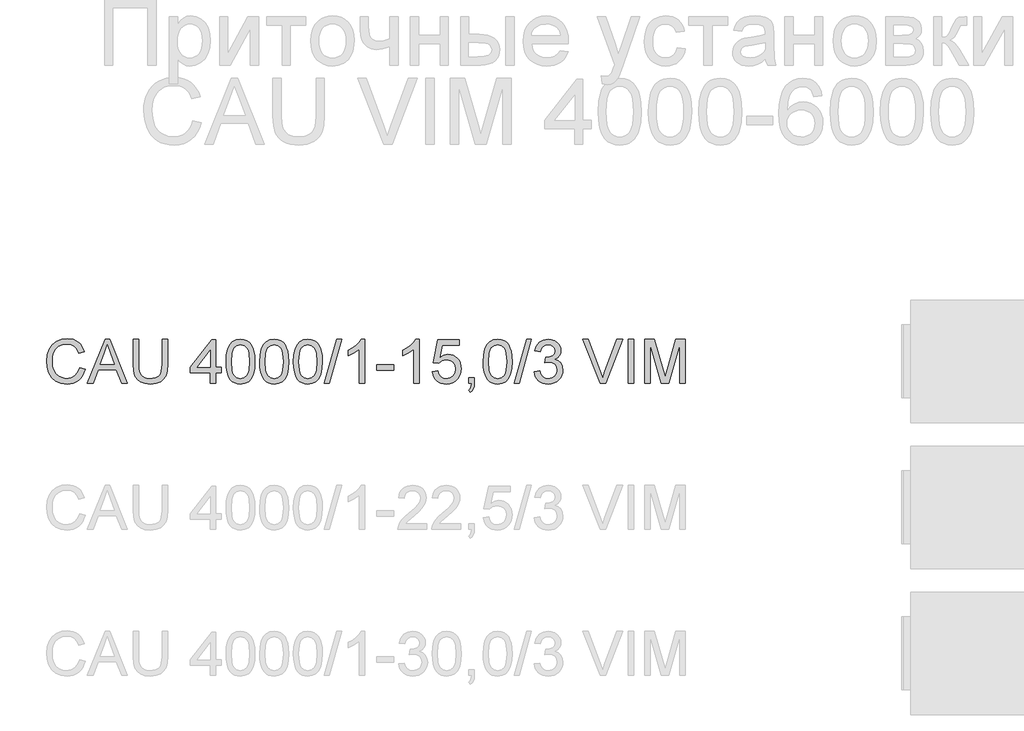
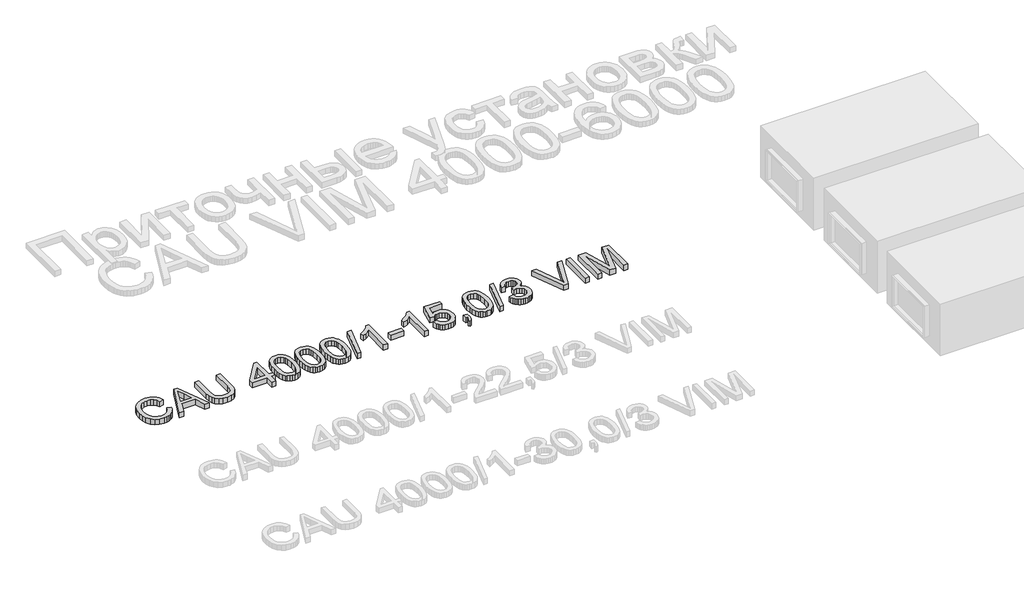
# One storey, part 68 of 74: 1 proxy.
"""IFC4 building model written with IfcOpenShell, lengths in millimetres."""

import ifcopenshell
import ifcopenshell.guid

model = None  # the IFC model being written
_history = None  # IfcOwnerHistory: only IFC2X3 demands one
_inside = {}  # id of a spatial element -> (the spatial element, [elements in it])
_under = {}  # id of a project, library or spatial element -> (it, [spatial elements below it])
_declared = {}  # id of a project -> (the project, [libraries it declares])
_typed = {}  # id of a type object -> (the type object, [elements of that type])
_made_of = {}  # id of a material, layer set ... -> (it, [elements and type objects made of it])


def new_model(schema):
    """Start an empty IFC model of exactly this schema.

    Asked for "IFC4X3", IfcOpenShell would pick the latest addendum, in which some entities
    have other attributes; the version numbers below select the first issue.
    IFC2X3 requires an IfcOwnerHistory on every rooted entity: one is made here for all.
    """
    global model, _history
    if schema == "IFC4X3":
        model = ifcopenshell.file(schema_version=(4, 3, 0, 0))
    else:
        model = ifcopenshell.file(schema=schema)
    _inside.clear()
    _under.clear()
    _declared.clear()
    _typed.clear()
    _made_of.clear()
    _history = None
    if model.schema == "IFC2X3":
        org = make("IfcOrganization", Name="unknown")
        user = make(
            "IfcPersonAndOrganization",
            ThePerson=make("IfcPerson", FamilyName="unknown"),
            TheOrganization=org,
        )
        app = make(
            "IfcApplication",
            ApplicationDeveloper=org,
            Version="unknown",
            ApplicationFullName="unknown",
            ApplicationIdentifier="unknown",
        )
        _history = make(
            "IfcOwnerHistory",
            OwningUser=user,
            OwningApplication=app,
            ChangeAction="ADDED",
            CreationDate=0,
        )
    return model


def make(cls, **values):
    """One entity of the class cls with the attributes given. An attribute that is None is left unset."""
    return model.create_entity(
        cls, **{name: value for name, value in values.items() if value is not None}
    )


def rooted(cls, **values):
    """An entity with a GlobalId (a new one), such as an element, a storey or a relation."""
    return make(cls, GlobalId=ifcopenshell.guid.new(), OwnerHistory=_history, **values)


def si_unit(unit_type, name, prefix=None):
    """IfcSIUnit, for example si_unit("LENGTHUNIT", "METRE", prefix="MILLI")."""
    return make("IfcSIUnit", UnitType=unit_type, Prefix=prefix, Name=name)


def assignment(units):
    """IfcUnitAssignment: the units of a project."""
    return None if units is None else make("IfcUnitAssignment", Units=units)


def point(xyz):
    """IfcCartesianPoint."""
    return None if xyz is None else make("IfcCartesianPoint", Coordinates=xyz)


def direction(xyz):
    """IfcDirection."""
    return None if xyz is None else make("IfcDirection", DirectionRatios=xyz)


def frame(location, z_axis=None, x_axis=None):
    """IfcAxis2Placement3D, a coordinate frame: its origin and axes. An axis left out is left unset."""
    return make(
        "IfcAxis2Placement3D",
        Location=point(location),
        Axis=direction(z_axis),
        RefDirection=direction(x_axis),
    )


def origin():
    """The frame at (0, 0, 0) with its axes left unset."""
    return frame((0.0, 0.0, 0.0))


def origin_with_axes():
    """The frame at (0, 0, 0) with the z axis (0, 0, 1) and the x axis (1, 0, 0) written out."""
    return frame((0.0, 0.0, 0.0), z_axis=(0.0, 0.0, 1.0), x_axis=(1.0, 0.0, 0.0))


def place(relative_to, where):
    """IfcLocalPlacement: puts the frame where relative to a parent placement (None: the world)."""
    return make(
        "IfcLocalPlacement", PlacementRelTo=relative_to, RelativePlacement=where
    )


def context(
    kind, dimensions, precision=None, world=None, true_north=None, identifier=None
):
    """IfcGeometricRepresentationContext, for example the 3D "Model" context."""
    return make(
        "IfcGeometricRepresentationContext",
        ContextIdentifier=identifier,
        ContextType=kind,
        CoordinateSpaceDimension=dimensions,
        Precision=precision,
        WorldCoordinateSystem=world,
        TrueNorth=true_north,
    )


def project(units=None, contexts=None):
    """IfcProject with its units and contexts."""
    return rooted(
        "IfcProject",
        Name="project",
        RepresentationContexts=contexts,
        UnitsInContext=assignment(units),
    )


def spatial(cls, under=None, at=None, **own):
    """A site, building, storey or space (cls), placed at a placement, below another one or the project."""
    s = rooted(cls, ObjectPlacement=at, **own)
    if under is not None:
        _under.setdefault(under.id(), (under, []))[1].append(s)
    return s


def polyline(points):
    """IfcPolyline through the points."""
    return make("IfcPolyline", Points=[point(p) for p in points])


def outline(outer, holes=None, kind="AREA"):
    """IfcArbitraryClosedProfileDef: a profile drawn as a closed curve; with holes, ...WithVoids."""
    if holes is None:
        return make("IfcArbitraryClosedProfileDef", ProfileType=kind, OuterCurve=outer)
    return make(
        "IfcArbitraryProfileDefWithVoids",
        ProfileType=kind,
        OuterCurve=outer,
        InnerCurves=holes,
    )


def extrude(swept, where, along, depth):
    """IfcExtrudedAreaSolid: the profile swept, set in the frame where, extruded along a direction by depth."""
    return make(
        "IfcExtrudedAreaSolid",
        SweptArea=swept,
        Position=where,
        ExtrudedDirection=direction(along),
        Depth=depth,
    )


def shape(context_of_items, identifier, shape_type, items):
    """IfcShapeRepresentation: the items that make up one representation, for example the "Body"."""
    return make(
        "IfcShapeRepresentation",
        ContextOfItems=context_of_items,
        RepresentationIdentifier=identifier,
        RepresentationType=shape_type,
        Items=items,
    )


def made_of(thing, what):
    """Note that an element or type object is made of a material, layer set ...; save() writes the relation."""
    if what is not None:
        _made_of.setdefault(what.id(), (what, []))[1].append(thing)
    return thing


def element(
    cls,
    number,
    at=None,
    inside=None,
    cuts=None,
    type_object=None,
    material=None,
    context=None,
    identifier="Body",
    shape_type=None,
    held_by="IfcProductDefinitionShape",
    body=None,
    shapes=None,
    **own,
):
    """One element of the class cls, such as IfcWall. Its Tag is "e" and its number.

    at: its placement. inside: the storey or other place that contains it. cuts: it is an
    opening in that element (IfcRelVoidsElement). A single representation is given by context,
    identifier, shape_type and body (its items); several are given by shapes. held_by: the class
    of the entity that holds the representations. save() writes the other relations.
    """
    e = rooted(cls, Tag="e%d" % number, ObjectPlacement=at, **own)
    if body is not None:
        shapes = [shape(context, identifier, shape_type, body)]
    if shapes is not None:
        e.Representation = make(held_by, Representations=shapes)
    if inside is not None:
        _inside.setdefault(inside.id(), (inside, []))[1].append(e)
    if cuts is not None:
        rooted(
            "IfcRelVoidsElement", RelatingBuildingElement=cuts, RelatedOpeningElement=e
        )
    if type_object is not None:
        _typed.setdefault(type_object.id(), (type_object, []))[1].append(e)
    return made_of(e, material)


def aggregate(whole, parts):
    """IfcRelAggregates: a whole, such as a stair, and the parts it consists of."""
    return rooted("IfcRelAggregates", RelatingObject=whole, RelatedObjects=parts)


def save(model, path):
    """Write the relations noted so far, then the file.

    IfcRelAggregates (storeys below a building ...), IfcRelContainedInSpatialStructure (elements
    in a storey), IfcRelDefinesByType, IfcRelAssociatesMaterial and IfcRelDeclares: one each for
    every whole, place, type object, material and project.
    """
    for whole, parts in _under.values():
        aggregate(whole, parts)
    for where, things in _inside.values():
        rooted(
            "IfcRelContainedInSpatialStructure",
            RelatedElements=things,
            RelatingStructure=where,
        )
    for kind, things in _typed.values():
        rooted("IfcRelDefinesByType", RelatedObjects=things, RelatingType=kind)
    for what, things in _made_of.values():
        rooted("IfcRelAssociatesMaterial", RelatedObjects=things, RelatingMaterial=what)
    for by, libraries in _declared.values():
        rooted("IfcRelDeclares", RelatingContext=by, RelatedDefinitions=libraries)
    model.write(path)


model = new_model("IFC4")

# Units and contexts
model_context = context("Model", 3, world=origin())
ifc_project = project(units=[si_unit("LENGTHUNIT", "METRE", prefix="MILLI")], contexts=[model_context])

# Site, building, storey
site = spatial("IfcSite", under=ifc_project)
building = spatial("IfcBuilding", under=site)
storey = spatial("IfcBuildingStorey", under=building, Elevation=0.0)

# Proxy
placement = place(None, origin())
element("IfcBuildingElementProxy", 1, Name="Generic Models", at=placement, inside=storey, context=model_context, shape_type="SweptSolid", body=[
    extrude(outline(polyline([(44539.6928381, -3799.1632103), (44577.3639544, -3808.875295), (44569.9097455, -3832.3024803), (44559.9815302, -3852.7728141), (44547.5793084, -3870.2862963), (44532.7030802, -3884.842927), (44515.688538, -3896.2863563), (44496.8713739, -3904.4602344), (44476.2515881, -3909.3645613), (44453.8291805, -3910.9993369), (44410.1339965, -3906.051324), (44375.4335273, -3891.2072855), (44348.835659, -3866.9822562), (44329.4482779, -3833.8912707), (44317.6116747, -3794.9877497), (44313.6661403, -3753.3251137), (44318.1267095, -3709.3816094), (44331.5084171, -3671.4345816), (44353.1122872, -3640.6888439), (44382.2393442, -3618.3492097), (44416.7834636, -3604.7467729), (44454.6385209, -3600.2126274), (44495.9424719, -3606.0803452), (44513.9112081, -3613.4149925), (44530.0911181, -3623.6834986), (44544.2154874, -3636.6145508), (44556.0176017, -3651.9368359), (44572.6550649, -3689.755105), (44534.9839486, -3698.7314257), (44521.9241378, -3671.2598377), (44504.081861, -3652.4150825), (44481.2363891, -3641.5165784), (44453.1669929, -3637.8837437), (44420.8117714, -3641.9120515), (44394.2322973, -3653.996975), (44374.0631669, -3672.8693214), (44360.9389767, -3697.2598977), (44353.7376866, -3724.8326532), (44351.3372566, -3753.2515373), (44354.179145, -3788.0531741), (44362.7048103, -3818.1459213), (44377.2361491, -3842.3801477), (44398.0950582, -3859.6062222), (44423.1018368, -3869.897721), (44450.0767841, -3873.3282206), (44481.5214977, -3868.6561192), (44507.7238928, -3854.6398152), (44527.5067471, -3831.4264613), (44539.6928381, -3799.1632103)])), origin_with_axes(), (0.0, 0.0, 1.0), 50.0),
    extrude(outline(polyline([(44594.065797, -3906.2904473), (44714.3632095, -3604.9215169), (44746.4425194, -3604.9215169), (44866.7399319, -3906.2904473), (44826.9351, -3906.2904473), (44792.4277688, -3812.1126566), (44668.3043837, -3812.1126566), (44633.8706289, -3906.2904473), (44594.065797, -3906.2904473)]), holes=[polyline([(44682.1367467, -3774.4415403), (44778.6689822, -3774.4415403), (44751.519291, -3700.3501064), (44730.4028644, -3642.5926332), (44711.6408827, -3693.8753833), (44682.1367467, -3774.4415403)])]), origin_with_axes(), (0.0, 0.0, 1.0), 50.0),
    extrude(outline(polyline([(45104.7595827, -3604.9215169), (45142.430699, -3604.9215169), (45142.430699, -3778.7825478), (45139.8739192, -3819.4978876), (45132.2035796, -3850.8506307), (45117.8745759, -3875.0388719), (45095.3418037, -3894.2607061), (45064.5500807, -3906.8146792), (45025.4442246, -3910.9993369), (44987.1936941, -3907.3573051), (44956.6135033, -3896.4312099), (44933.694455, -3878.5981302), (44918.4273522, -3854.235145), (44909.8465046, -3821.5580268), (44906.9862221, -3778.7825478), (44906.9862221, -3604.9215169), (44944.6573384, -3604.9215169), (44944.6573384, -3777.4581726), (44946.5151425, -3811.3125132), (44952.0885547, -3834.8845521), (44962.1869155, -3851.2093156), (44977.6195652, -3863.3218303), (44997.7427103, -3870.826623), (45021.9125574, -3873.3282206), (45060.2274672, -3868.3802077), (45074.5702665, -3862.1951917), (45085.7032954, -3853.5361692), (45094.0404211, -3841.3592752), (45099.9955109, -3824.6206444), (45104.7595827, -3777.4581726), (45104.7595827, -3604.9215169)])), origin_with_axes(), (0.0, 0.0, 1.0), 50.0),
    extrude(outline(polyline([(45434.3818504, -3906.2904473), (45434.3818504, -3835.6571043), (45297.8240538, -3835.6571043), (45297.8240538, -3797.985988), (45443.7996295, -3609.6304064), (45472.0529667, -3609.6304064), (45472.0529667, -3797.985988), (45509.724083, -3797.985988), (45509.724083, -3835.6571043), (45472.0529667, -3835.6571043), (45472.0529667, -3906.2904473), (45434.3818504, -3906.2904473)]), holes=[polyline([(45434.3818504, -3797.985988), (45434.3818504, -3681.5881247), (45344.1771852, -3797.985988), (45434.3818504, -3797.985988)])]), origin_with_axes(), (0.0, 0.0, 1.0), 50.0),
    extrude(outline(polyline([(45542.6863098, -3758.0340033), (45545.4546218, -3709.7954767), (45553.7595578, -3671.324217), (45567.5183445, -3642.0316132), (45586.6482082, -3621.3290539), (45611.2871048, -3609.0234011), (45641.5729901, -3604.9215169), (45664.786344, -3607.3495381), (45685.5716767, -3614.6336016), (45702.954101, -3626.4885989), (45715.9587295, -3642.6294214), (45725.7811788, -3662.9181134), (45733.6170653, -3687.2167192), (45738.7490191, -3718.0728216), (45740.4596704, -3758.0340033), (45737.7189495, -3805.9966184), (45729.4967869, -3844.3759076), (45715.8207738, -3873.6961026), (45696.7185012, -3894.4814353), (45672.0244222, -3906.8698615), (45641.5729901, -3910.9993369), (45620.8244456, -3909.2059122), (45602.4303458, -3903.825638), (45586.3906908, -3894.8585143), (45572.7054806, -3882.3045413), (45559.5720934, -3859.6108207), (45550.1911025, -3831.3344908), (45544.562508, -3797.4755517), (45542.6863098, -3758.0340033)]), holes=[polyline([(45580.3574261, -3757.9604269), (45584.77201, -3817.2170193), (45590.29024, -3837.4850179), (45598.0157619, -3851.5128183), (45617.7342368, -3867.87437), (45641.5729901, -3873.3282206), (45665.4117434, -3867.8559759), (45685.1302183, -3851.4392419), (45692.8557402, -3837.3884489), (45698.3739702, -3817.1250488), (45702.7885541, -3757.9604269), (45698.5211229, -3700.0374067), (45693.186834, -3679.8360867), (45685.7188295, -3665.4748933), (45666.0371428, -3648.3131982), (45641.1315317, -3642.5926332), (45617.5502958, -3647.6326165), (45598.6043731, -3662.7525665), (45590.6213338, -3678.3875513), (45584.9191628, -3699.4671897), (45580.3574261, -3757.9604269)])]), origin_with_axes(), (0.0, 0.0, 1.0), 50.0),
    extrude(outline(polyline([(45773.4218972, -3758.0340033), (45776.1902092, -3709.7954767), (45784.4951452, -3671.324217), (45798.2539318, -3642.0316132), (45817.3837956, -3621.3290539), (45842.0226922, -3609.0234011), (45872.3085775, -3604.9215169), (45895.5219314, -3607.3495381), (45916.3072641, -3614.6336016), (45933.6896884, -3626.4885989), (45946.6943169, -3642.6294214), (45956.5167662, -3662.9181134), (45964.3526527, -3687.2167192), (45969.4846065, -3718.0728216), (45971.1952578, -3758.0340033), (45968.4545369, -3805.9966184), (45960.2323743, -3844.3759076), (45946.5563611, -3873.6961026), (45927.4540885, -3894.4814353), (45902.7600096, -3906.8698615), (45872.3085775, -3910.9993369), (45851.5600329, -3909.2059122), (45833.1659332, -3903.825638), (45817.1262782, -3894.8585143), (45803.441068, -3882.3045413), (45790.3076807, -3859.6108207), (45780.9266899, -3831.3344908), (45775.2980953, -3797.4755517), (45773.4218972, -3758.0340033)]), holes=[polyline([(45811.0930135, -3757.9604269), (45815.5075974, -3817.2170193), (45821.0258273, -3837.4850179), (45828.7513492, -3851.5128183), (45848.4698242, -3867.87437), (45872.3085775, -3873.3282206), (45896.1473308, -3867.8559759), (45915.8658057, -3851.4392419), (45923.5913276, -3837.3884489), (45929.1095575, -3817.1250488), (45933.5241415, -3757.9604269), (45929.2567103, -3700.0374067), (45923.9224214, -3679.8360867), (45916.4544169, -3665.4748933), (45896.7727302, -3648.3131982), (45871.8671191, -3642.5926332), (45848.2858832, -3647.6326165), (45829.3399604, -3662.7525665), (45821.3569211, -3678.3875513), (45815.6547502, -3699.4671897), (45811.0930135, -3757.9604269)])]), origin_with_axes(), (0.0, 0.0, 1.0), 50.0),
    extrude(outline(polyline([(46004.1574845, -3758.0340033), (46006.9257966, -3709.7954767), (46015.2307326, -3671.324217), (46028.9895192, -3642.0316132), (46048.119383, -3621.3290539), (46072.7582796, -3609.0234011), (46103.0441648, -3604.9215169), (46126.2575187, -3607.3495381), (46147.0428515, -3614.6336016), (46164.4252757, -3626.4885989), (46177.4299043, -3642.6294214), (46187.2523535, -3662.9181134), (46195.08824, -3687.2167192), (46200.2201939, -3718.0728216), (46201.9308451, -3758.0340033), (46199.1901243, -3805.9966184), (46190.9679617, -3844.3759076), (46177.2919485, -3873.6961026), (46158.1896759, -3894.4814353), (46133.495597, -3906.8698615), (46103.0441648, -3910.9993369), (46082.2956203, -3909.2059122), (46063.9015206, -3903.825638), (46047.8618656, -3894.8585143), (46034.1766553, -3882.3045413), (46021.0432681, -3859.6108207), (46011.6622772, -3831.3344908), (46006.0336827, -3797.4755517), (46004.1574845, -3758.0340033)]), holes=[polyline([(46041.8286008, -3757.9604269), (46046.2431848, -3817.2170193), (46051.7614147, -3837.4850179), (46059.4869366, -3851.5128183), (46079.2054116, -3867.87437), (46103.0441648, -3873.3282206), (46126.8829181, -3867.8559759), (46146.6013931, -3851.4392419), (46154.326915, -3837.3884489), (46159.8451449, -3817.1250488), (46164.2597288, -3757.9604269), (46159.9922977, -3700.0374067), (46154.6580088, -3679.8360867), (46147.1900043, -3665.4748933), (46127.5083175, -3648.3131982), (46102.6027065, -3642.5926332), (46079.0214706, -3647.6326165), (46060.0755478, -3662.7525665), (46052.0925085, -3678.3875513), (46046.3903376, -3699.4671897), (46041.8286008, -3757.9604269)])]), origin_with_axes(), (0.0, 0.0, 1.0), 50.0),
    extrude(outline(polyline([(46216.0575138, -3906.2904473), (46300.8175255, -3604.9215169), (46334.8098218, -3604.9215169), (46250.0498101, -3906.2904473), (46216.0575138, -3906.2904473)])), origin_with_axes(), (0.0, 0.0, 1.0), 50.0),
    extrude(outline(polyline([(46493.8819965, -3906.2904473), (46456.2108802, -3906.2904473), (46456.2108802, -3671.4345816), (46420.5263267, -3696.8552275), (46380.8686476, -3715.8747266), (46380.8686476, -3680.2637495), (46410.4555571, -3664.1689122), (46436.0877351, -3645.0206544), (46456.2936537, -3624.6583859), (46469.6017848, -3604.9215169), (46493.8819965, -3604.9215169), (46493.8819965, -3906.2904473)])), origin_with_axes(), (0.0, 0.0, 1.0), 50.0),
    extrude(outline(polyline([(46573.9331187, -3816.8215461), (46573.9331187, -3779.1504298), (46691.6553571, -3779.1504298), (46691.6553571, -3816.8215461), (46573.9331187, -3816.8215461)])), origin_with_axes(), (0.0, 0.0, 1.0), 50.0),
    extrude(outline(polyline([(46865.88427, -3906.2904473), (46828.2131537, -3906.2904473), (46828.2131537, -3671.4345816), (46792.5286002, -3696.8552275), (46752.8709211, -3715.8747266), (46752.8709211, -3680.2637495), (46782.4578306, -3664.1689122), (46808.0900086, -3645.0206544), (46828.2959272, -3624.6583859), (46841.6040584, -3604.9215169), (46865.88427, -3604.9215169), (46865.88427, -3906.2904473)])), origin_with_axes(), (0.0, 0.0, 1.0), 50.0),
    extrude(outline(polyline([(46955.3531713, -3826.2393252), (46993.0242876, -3821.5304357), (46999.9404691, -3844.1459813), (47012.0069985, -3860.3419861), (47029.1686936, -3870.081662), (47051.370372, -3873.3282206), (47078.3729105, -3868.8124691), (47098.6064202, -3855.2652146), (47111.2431667, -3834.2499556), (47115.4554156, -3807.3301906), (47111.5098812, -3781.9831212), (47099.673278, -3762.59574), (47079.8536355, -3750.2900873), (47051.9589832, -3746.188203), (47033.6844451, -3747.8252779), (47018.8863918, -3752.7365026), (46997.7331771, -3769.7326507), (46960.0620608, -3765.0237612), (46993.0242876, -3609.6304064), (47138.9998633, -3609.6304064), (47138.9998633, -3647.3015227), (47023.4849168, -3647.3015227), (47007.3716854, -3730.2957008), (47034.2822533, -3713.9617403), (47062.4804083, -3708.5170867), (47080.8262235, -3710.2047454), (47097.6775182, -3715.2677213), (47113.0342922, -3723.7060146), (47126.8965456, -3735.5196252), (47138.3721646, -3749.9865846), (47146.5690353, -3766.3849246), (47151.4871577, -3784.714645), (47153.1265319, -3804.9757459), (47147.2220259, -3842.6468622), (47139.8413933, -3859.4406753), (47129.5085078, -3874.873325), (47113.8551289, -3890.6784552), (47095.5897878, -3901.9678339), (47074.7124846, -3908.7414611), (47051.2232192, -3910.9993369), (47014.2234876, -3905.1959984), (46998.5448168, -3897.9418253), (46984.7469427, -3887.785983), (46973.2667252, -3875.2343092), (46964.5410241, -3860.7926416), (46955.3531713, -3826.2393252)])), origin_with_axes(), (0.0, 0.0, 1.0), 50.0),
    extrude(outline(polyline([(47204.9243168, -3906.2904473), (47204.9243168, -3868.619331), (47242.5954331, -3868.619331), (47242.5954331, -3906.2904473), (47240.9031759, -3927.8391352), (47235.8264044, -3944.8076922), (47227.0708129, -3957.8215178), (47214.3420959, -3967.5060113), (47204.9243168, -3953.3793427), (47213.0912971, -3946.5551317), (47218.7566798, -3937.1189585), (47223.6862986, -3906.2904473), (47204.9243168, -3906.2904473)])), origin_with_axes(), (0.0, 0.0, 1.0), 50.0),
    extrude(outline(polyline([(47303.8109971, -3758.0340033), (47306.5793091, -3709.7954767), (47314.8842452, -3671.324217), (47328.6430318, -3642.0316132), (47347.7728955, -3621.3290539), (47372.4117922, -3609.0234011), (47402.6976774, -3604.9215169), (47425.9110313, -3607.3495381), (47446.696364, -3614.6336016), (47464.0787883, -3626.4885989), (47477.0834168, -3642.6294214), (47486.9058661, -3662.9181134), (47494.7417526, -3687.2167192), (47499.8737064, -3718.0728216), (47501.5843577, -3758.0340033), (47498.8436368, -3805.9966184), (47490.6214743, -3844.3759076), (47476.9454611, -3873.6961026), (47457.8431885, -3894.4814353), (47433.1491096, -3906.8698615), (47402.6976774, -3910.9993369), (47381.9491329, -3909.2059122), (47363.5550331, -3903.825638), (47347.5153781, -3894.8585143), (47333.8301679, -3882.3045413), (47320.6967807, -3859.6108207), (47311.3157898, -3831.3344908), (47305.6871953, -3797.4755517), (47303.8109971, -3758.0340033)]), holes=[polyline([(47341.4821134, -3757.9604269), (47345.8966974, -3817.2170193), (47351.4149273, -3837.4850179), (47359.1404492, -3851.5128183), (47378.8589241, -3867.87437), (47402.6976774, -3873.3282206), (47426.5364307, -3867.8559759), (47446.2549056, -3851.4392419), (47453.9804275, -3837.3884489), (47459.4986575, -3817.1250488), (47463.9132414, -3757.9604269), (47459.6458103, -3700.0374067), (47454.3115213, -3679.8360867), (47446.8435168, -3665.4748933), (47427.1618301, -3648.3131982), (47402.256219, -3642.5926332), (47378.6749831, -3647.6326165), (47359.7290604, -3662.7525665), (47351.7460211, -3678.3875513), (47346.0438501, -3699.4671897), (47341.4821134, -3757.9604269)])]), origin_with_axes(), (0.0, 0.0, 1.0), 50.0),
    extrude(outline(polyline([(47515.7110263, -3906.2904473), (47600.471038, -3604.9215169), (47634.4633344, -3604.9215169), (47549.7033227, -3906.2904473), (47515.7110263, -3906.2904473)])), origin_with_axes(), (0.0, 0.0, 1.0), 50.0),
    extrude(outline(polyline([(47652.2688229, -3826.2393252), (47689.9399392, -3821.5304357), (47698.373634, -3845.203642), (47710.725272, -3861.1881147), (47727.6018585, -3870.2931941), (47749.6103989, -3873.3282206), (47775.4357149, -3869.1527599), (47795.3749191, -3856.626378), (47808.1220302, -3837.9379726), (47812.3710672, -3815.2764417), (47808.1588184, -3793.7645421), (47795.5220719, -3776.3177384), (47776.3922081, -3764.7570467), (47752.7006076, -3760.9034828), (47726.2866804, -3765.0237612), (47730.4805351, -3727.3526449), (47736.5137998, -3727.7941033), (47759.0833602, -3725.0901706), (47779.2616877, -3716.9783726), (47793.4987209, -3703.2563742), (47798.2443986, -3683.7218403), (47794.804702, -3667.452259), (47784.485612, -3654.2544924), (47768.7402626, -3645.508098), (47749.0217877, -3642.5926332), (47729.2665245, -3645.5356892), (47713.1165049, -3654.364857), (47701.325887, -3669.0801369), (47694.6488288, -3689.6815286), (47656.9777125, -3684.972639), (47668.0693546, -3651.1458896), (47687.8062237, -3625.8907906), (47714.8087621, -3610.1638353), (47747.6974125, -3604.9215169), (47771.3798159, -3607.5058879), (47793.1308389, -3615.259001), (47811.4697563, -3627.4910773), (47824.9158433, -3643.5123382), (47833.165597, -3661.9708173), (47835.9155149, -3681.5145483), (47833.3035528, -3699.724707), (47825.4676663, -3716.2426086), (47812.51822, -3730.3140949), (47794.5655787, -3741.1850079), (47818.1468146, -3750.7131516), (47835.6212093, -3766.9367476), (47846.43694, -3788.9728791), (47850.0421835, -3815.9386293), (47848.2395618, -3835.050099), (47842.8316964, -3852.6532524), (47833.8185876, -3868.7480897), (47821.2002351, -3883.3346108), (47805.8273662, -3895.4379285), (47788.550708, -3904.0831554), (47769.3702605, -3909.2702915), (47748.2860237, -3910.9993369), (47729.2297363, -3909.5232104), (47711.8657062, -3905.0948309), (47696.1939332, -3897.7141983), (47682.2144173, -3887.3813128), (47670.4927773, -3874.7031795), (47661.5946315, -3860.2868038), (47655.5199801, -3844.1321857), (47652.2688229, -3826.2393252)])), origin_with_axes(), (0.0, 0.0, 1.0), 50.0),
    extrude(outline(polyline([(48103.8807602, -3906.2904473), (47983.9512298, -3604.9215169), (48024.2710965, -3604.9215169), (48104.5429478, -3822.0454704), (48120.803332, -3870.9737758), (48136.842987, -3822.0454704), (48217.3355675, -3604.9215169), (48257.6554342, -3604.9215169), (48142.8026753, -3906.2904473), (48103.8807602, -3906.2904473)])), origin_with_axes(), (0.0, 0.0, 1.0), 50.0),
    extrude(outline(polyline([(48297.3866897, -3906.2904473), (48297.3866897, -3604.9215169), (48335.057806, -3604.9215169), (48335.057806, -3906.2904473), (48297.3866897, -3906.2904473)])), origin_with_axes(), (0.0, 0.0, 1.0), 50.0),
    extrude(outline(polyline([(48410.4000386, -3906.2904473), (48410.4000386, -3604.9215169), (48475.2208461, -3604.9215169), (48536.8778685, -3817.3365809), (48549.31228, -3861.7031495), (48562.776761, -3813.657761), (48623.4037138, -3604.9215169), (48688.2245214, -3604.9215169), (48688.2245214, -3906.2904473), (48650.553405, -3906.2904473), (48650.553405, -3642.5926332), (48574.8432904, -3906.2904473), (48523.7812695, -3906.2904473), (48448.0711549, -3642.5926332), (48448.0711549, -3906.2904473), (48410.4000386, -3906.2904473)])), origin_with_axes(), (0.0, 0.0, 1.0), 50.0),
])

save(model, "model.ifc")
